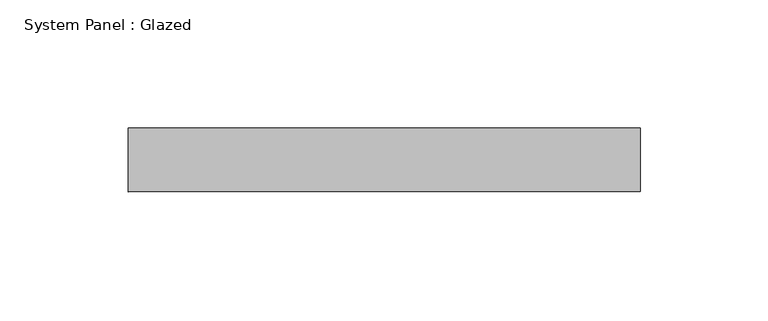
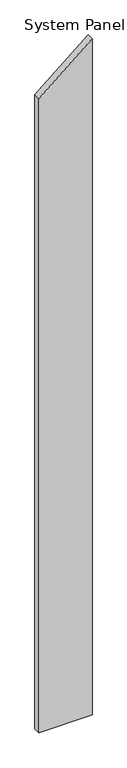
"""IFC4 building model written with IfcOpenShell, lengths in millimetres: plate geometry, System Panel : Glazed."""

from ifc_helpers import new_model, si_unit, frame, origin, place, context, project, spatial, polyline, outline, extrude, source, transform, mapped, element, save


def system_panel_glazed_da1a52df(model_context):
    return source(origin(), model_context, "Body", "SweptSolid", [
        extrude(outline(polyline([(0.0, -100.0), (0.0, 100.0), (2685.11882, 100.0), (2517.2988938, -100.0), (0.0, -100.0)])), frame((0.0, 24.5, 0.0), z_axis=(0.0, 1.0, 0.0), x_axis=(0.0, 0.0, 1.0)), (0.0, 0.0, 1.0), 25.0),
    ])


if __name__ == "__main__":
    model = new_model("IFC4")
    model_context = context("Model", 3, world=origin())
    ifc_project = project(units=[si_unit("LENGTHUNIT", "METRE", prefix="MILLI")], contexts=[model_context])
    site = spatial("IfcSite", under=ifc_project)
    building = spatial("IfcBuilding", under=site)
    placement = place(None, origin())
    system_panel_glazed_shape = system_panel_glazed_da1a52df(model_context)
    element("IfcPlate", 1, ObjectType="System Panel : Glazed", at=placement, inside=building, context=model_context, shape_type="MappedRepresentation", body=[
        mapped(system_panel_glazed_shape, transform((0.0, 0.0, 0.0), x_axis=(1.0, 0.0, 0.0), y_axis=(0.0, 1.0, 0.0), z_axis=(0.0, 0.0, 1.0))),
    ])
    save(model, "model.ifc")
